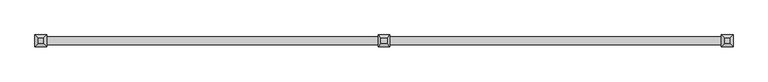
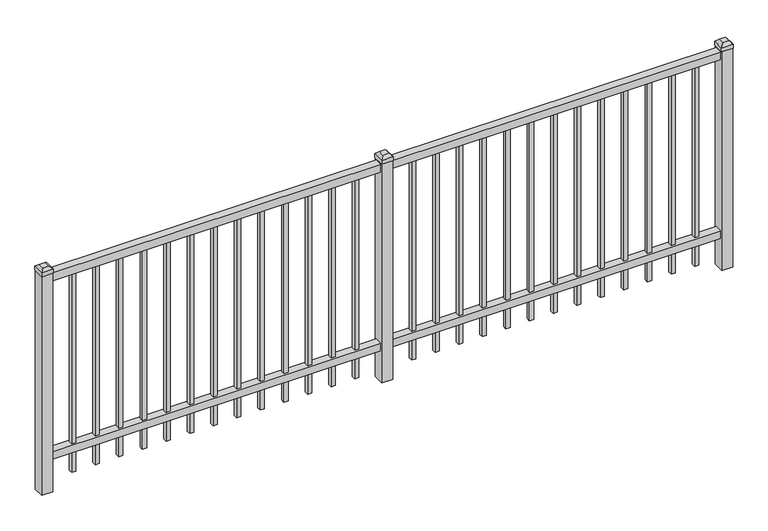
"""IFC4 building model written with IfcOpenShell, lengths in millimetres: railing geometry."""

from ifc_helpers import new_model, si_unit, frame, origin, origin_with_axes, place, context, project, spatial, polyline, outline, extrude, faceted_brep, source, transform, mapped, element, save


def railing_821496fa(model_context):
    return source(origin(), model_context, "Body", "SolidModel", [
        extrude(outline(polyline([(-85729.318087, 5443.2804826), (-85729.318087, 5478.2054826), (-82579.718087, 5478.2054826), (-82579.718087, 5443.2804826), (-85729.318087, 5443.2804826)])), frame((0.0, 0.0, 1028.7), z_axis=(0.0, 0.0, 1.0), x_axis=(1.0, 0.0, 0.0)), (0.0, 0.0, 1.0), 38.1),
        extrude(outline(polyline([(-85729.318087, 5443.2804826), (-85729.318087, 5478.2054826), (-82579.718087, 5478.2054826), (-82579.718087, 5443.2804826), (-85729.318087, 5443.2804826)])), frame((0.0, 0.0, 152.4), z_axis=(0.0, 0.0, 1.0), x_axis=(1.0, 0.0, 0.0)), (0.0, 0.0, 1.0), 38.1),
        extrude(outline(polyline([(-82811.2285036, 5470.2679826), (-82811.2285036, 5451.2179826), (-82830.2785036, 5451.2179826), (-82830.2785036, 5470.2679826), (-82811.2285036, 5470.2679826)])), frame((0.0, 0.0, 50.8), z_axis=(0.0, 0.0, 1.0), x_axis=(1.0, 0.0, 0.0)), (0.0, 0.0, 1.0), 977.9),
        extrude(outline(polyline([(-82920.5014203, 5470.2679826), (-82920.5014203, 5451.2179826), (-82939.5514203, 5451.2179826), (-82939.5514203, 5470.2679826), (-82920.5014203, 5470.2679826)])), frame((0.0, 0.0, 50.8), z_axis=(0.0, 0.0, 1.0), x_axis=(1.0, 0.0, 0.0)), (0.0, 0.0, 1.0), 977.9),
        extrude(outline(polyline([(-83029.774337, 5470.2679826), (-83029.774337, 5451.2179826), (-83048.824337, 5451.2179826), (-83048.824337, 5470.2679826), (-83029.774337, 5470.2679826)])), frame((0.0, 0.0, 50.8), z_axis=(0.0, 0.0, 1.0), x_axis=(1.0, 0.0, 0.0)), (0.0, 0.0, 1.0), 977.9),
        extrude(outline(polyline([(-83139.0472536, 5470.2679826), (-83139.0472536, 5451.2179826), (-83158.0972536, 5451.2179826), (-83158.0972536, 5470.2679826), (-83139.0472536, 5470.2679826)])), frame((0.0, 0.0, 50.8), z_axis=(0.0, 0.0, 1.0), x_axis=(1.0, 0.0, 0.0)), (0.0, 0.0, 1.0), 977.9),
        extrude(outline(polyline([(-83248.3201703, 5470.2679826), (-83248.3201703, 5451.2179826), (-83267.3701703, 5451.2179826), (-83267.3701703, 5470.2679826), (-83248.3201703, 5470.2679826)])), frame((0.0, 0.0, 50.8), z_axis=(0.0, 0.0, 1.0), x_axis=(1.0, 0.0, 0.0)), (0.0, 0.0, 1.0), 977.9),
        extrude(outline(polyline([(-83357.593087, 5470.2679826), (-83357.593087, 5451.2179826), (-83376.643087, 5451.2179826), (-83376.643087, 5470.2679826), (-83357.593087, 5470.2679826)])), frame((0.0, 0.0, 50.8), z_axis=(0.0, 0.0, 1.0), x_axis=(1.0, 0.0, 0.0)), (0.0, 0.0, 1.0), 977.9),
        extrude(outline(polyline([(-83466.8660036, 5470.2679826), (-83466.8660036, 5451.2179826), (-83485.9160036, 5451.2179826), (-83485.9160036, 5470.2679826), (-83466.8660036, 5470.2679826)])), frame((0.0, 0.0, 50.8), z_axis=(0.0, 0.0, 1.0), x_axis=(1.0, 0.0, 0.0)), (0.0, 0.0, 1.0), 977.9),
        extrude(outline(polyline([(-83576.1389203, 5470.2679826), (-83576.1389203, 5451.2179826), (-83595.1889203, 5451.2179826), (-83595.1889203, 5470.2679826), (-83576.1389203, 5470.2679826)])), frame((0.0, 0.0, 50.8), z_axis=(0.0, 0.0, 1.0), x_axis=(1.0, 0.0, 0.0)), (0.0, 0.0, 1.0), 977.9),
        extrude(outline(polyline([(-83685.411837, 5470.2679826), (-83685.411837, 5451.2179826), (-83704.461837, 5451.2179826), (-83704.461837, 5470.2679826), (-83685.411837, 5470.2679826)])), frame((0.0, 0.0, 50.8), z_axis=(0.0, 0.0, 1.0), x_axis=(1.0, 0.0, 0.0)), (0.0, 0.0, 1.0), 977.9),
        extrude(outline(polyline([(-83794.6847536, 5470.2679826), (-83794.6847536, 5451.2179826), (-83813.7347536, 5451.2179826), (-83813.7347536, 5470.2679826), (-83794.6847536, 5470.2679826)])), frame((0.0, 0.0, 50.8), z_axis=(0.0, 0.0, 1.0), x_axis=(1.0, 0.0, 0.0)), (0.0, 0.0, 1.0), 977.9),
        extrude(outline(polyline([(-83903.9576703, 5470.2679826), (-83903.9576703, 5451.2179826), (-83923.0076703, 5451.2179826), (-83923.0076703, 5470.2679826), (-83903.9576703, 5470.2679826)])), frame((0.0, 0.0, 50.8), z_axis=(0.0, 0.0, 1.0), x_axis=(1.0, 0.0, 0.0)), (0.0, 0.0, 1.0), 977.9),
        extrude(outline(polyline([(-82701.955587, 5470.2679826), (-82701.955587, 5451.2179826), (-82721.005587, 5451.2179826), (-82721.005587, 5470.2679826), (-82701.955587, 5470.2679826)])), frame((0.0, 0.0, 50.8), z_axis=(0.0, 0.0, 1.0), x_axis=(1.0, 0.0, 0.0)), (0.0, 0.0, 1.0), 977.9),
        extrude(outline(polyline([(-84013.230587, 5470.2679826), (-84013.230587, 5451.2179826), (-84032.280587, 5451.2179826), (-84032.280587, 5470.2679826), (-84013.230587, 5470.2679826)])), frame((0.0, 0.0, 50.8), z_axis=(0.0, 0.0, 1.0), x_axis=(1.0, 0.0, 0.0)), (0.0, 0.0, 1.0), 977.9),
        faceted_brep([(-84181.505587, 5487.7304826, 1092.2), (-84181.505587, 5487.7304826, 1073.15), (-84181.505587, 5433.7554826, 1073.15), (-84181.505587, 5433.7554826, 1092.2), (-84168.805587, 5475.0304826, 1104.9), (-84168.805587, 5446.4554826, 1104.9), (-84127.530587, 5433.7554826, 1073.15), (-84127.530587, 5433.7554826, 1092.2), (-84140.230587, 5446.4554826, 1104.9), (-84127.530587, 5487.7304826, 1073.15), (-84127.530587, 5487.7304826, 1092.2), (-84140.230587, 5475.0304826, 1104.9)], [[[0, 1, 2, 3]], [[4, 0, 3, 5]], [[3, 2, 6, 7]], [[5, 3, 7, 8]], [[7, 6, 9, 10]], [[8, 7, 10, 11]], [[10, 9, 1, 0]], [[11, 10, 0, 4]], [[5, 8, 11, 4]], [[1, 9, 6, 2]]]),
        extrude(outline(polyline([(-84129.118087, 5486.1429826), (-84129.118087, 5435.3429826), (-84179.918087, 5435.3429826), (-84179.918087, 5486.1429826), (-84129.118087, 5486.1429826)])), origin_with_axes(), (0.0, 0.0, 1.0), 1073.15),
        extrude(outline(polyline([(-84386.0285036, 5470.2679826), (-84386.0285036, 5451.2179826), (-84405.0785036, 5451.2179826), (-84405.0785036, 5470.2679826), (-84386.0285036, 5470.2679826)])), frame((0.0, 0.0, 50.8), z_axis=(0.0, 0.0, 1.0), x_axis=(1.0, 0.0, 0.0)), (0.0, 0.0, 1.0), 977.9),
        extrude(outline(polyline([(-84495.3014203, 5470.2679826), (-84495.3014203, 5451.2179826), (-84514.3514203, 5451.2179826), (-84514.3514203, 5470.2679826), (-84495.3014203, 5470.2679826)])), frame((0.0, 0.0, 50.8), z_axis=(0.0, 0.0, 1.0), x_axis=(1.0, 0.0, 0.0)), (0.0, 0.0, 1.0), 977.9),
        extrude(outline(polyline([(-84604.574337, 5470.2679826), (-84604.574337, 5451.2179826), (-84623.624337, 5451.2179826), (-84623.624337, 5470.2679826), (-84604.574337, 5470.2679826)])), frame((0.0, 0.0, 50.8), z_axis=(0.0, 0.0, 1.0), x_axis=(1.0, 0.0, 0.0)), (0.0, 0.0, 1.0), 977.9),
        extrude(outline(polyline([(-84713.8472536, 5470.2679826), (-84713.8472536, 5451.2179826), (-84732.8972536, 5451.2179826), (-84732.8972536, 5470.2679826), (-84713.8472536, 5470.2679826)])), frame((0.0, 0.0, 50.8), z_axis=(0.0, 0.0, 1.0), x_axis=(1.0, 0.0, 0.0)), (0.0, 0.0, 1.0), 977.9),
        extrude(outline(polyline([(-84823.1201703, 5470.2679826), (-84823.1201703, 5451.2179826), (-84842.1701703, 5451.2179826), (-84842.1701703, 5470.2679826), (-84823.1201703, 5470.2679826)])), frame((0.0, 0.0, 50.8), z_axis=(0.0, 0.0, 1.0), x_axis=(1.0, 0.0, 0.0)), (0.0, 0.0, 1.0), 977.9),
        extrude(outline(polyline([(-84932.393087, 5470.2679826), (-84932.393087, 5451.2179826), (-84951.443087, 5451.2179826), (-84951.443087, 5470.2679826), (-84932.393087, 5470.2679826)])), frame((0.0, 0.0, 50.8), z_axis=(0.0, 0.0, 1.0), x_axis=(1.0, 0.0, 0.0)), (0.0, 0.0, 1.0), 977.9),
        extrude(outline(polyline([(-85041.6660036, 5470.2679826), (-85041.6660036, 5451.2179826), (-85060.7160036, 5451.2179826), (-85060.7160036, 5470.2679826), (-85041.6660036, 5470.2679826)])), frame((0.0, 0.0, 50.8), z_axis=(0.0, 0.0, 1.0), x_axis=(1.0, 0.0, 0.0)), (0.0, 0.0, 1.0), 977.9),
        extrude(outline(polyline([(-85150.9389203, 5470.2679826), (-85150.9389203, 5451.2179826), (-85169.9889203, 5451.2179826), (-85169.9889203, 5470.2679826), (-85150.9389203, 5470.2679826)])), frame((0.0, 0.0, 50.8), z_axis=(0.0, 0.0, 1.0), x_axis=(1.0, 0.0, 0.0)), (0.0, 0.0, 1.0), 977.9),
        extrude(outline(polyline([(-85260.211837, 5470.2679826), (-85260.211837, 5451.2179826), (-85279.261837, 5451.2179826), (-85279.261837, 5470.2679826), (-85260.211837, 5470.2679826)])), frame((0.0, 0.0, 50.8), z_axis=(0.0, 0.0, 1.0), x_axis=(1.0, 0.0, 0.0)), (0.0, 0.0, 1.0), 977.9),
        extrude(outline(polyline([(-85369.4847536, 5470.2679826), (-85369.4847536, 5451.2179826), (-85388.5347536, 5451.2179826), (-85388.5347536, 5470.2679826), (-85369.4847536, 5470.2679826)])), frame((0.0, 0.0, 50.8), z_axis=(0.0, 0.0, 1.0), x_axis=(1.0, 0.0, 0.0)), (0.0, 0.0, 1.0), 977.9),
        extrude(outline(polyline([(-85478.7576703, 5470.2679826), (-85478.7576703, 5451.2179826), (-85497.8076703, 5451.2179826), (-85497.8076703, 5470.2679826), (-85478.7576703, 5470.2679826)])), frame((0.0, 0.0, 50.8), z_axis=(0.0, 0.0, 1.0), x_axis=(1.0, 0.0, 0.0)), (0.0, 0.0, 1.0), 977.9),
        extrude(outline(polyline([(-84276.755587, 5470.2679826), (-84276.755587, 5451.2179826), (-84295.805587, 5451.2179826), (-84295.805587, 5470.2679826), (-84276.755587, 5470.2679826)])), frame((0.0, 0.0, 50.8), z_axis=(0.0, 0.0, 1.0), x_axis=(1.0, 0.0, 0.0)), (0.0, 0.0, 1.0), 977.9),
        extrude(outline(polyline([(-85588.030587, 5470.2679826), (-85588.030587, 5451.2179826), (-85607.080587, 5451.2179826), (-85607.080587, 5470.2679826), (-85588.030587, 5470.2679826)])), frame((0.0, 0.0, 50.8), z_axis=(0.0, 0.0, 1.0), x_axis=(1.0, 0.0, 0.0)), (0.0, 0.0, 1.0), 977.9),
        faceted_brep([(-82606.705587, 5487.7304826, 1092.2), (-82606.705587, 5487.7304826, 1073.15), (-82606.705587, 5433.7554826, 1073.15), (-82606.705587, 5433.7554826, 1092.2), (-82594.005587, 5475.0304826, 1104.9), (-82594.005587, 5446.4554826, 1104.9), (-82552.730587, 5433.7554826, 1073.15), (-82552.730587, 5433.7554826, 1092.2), (-82565.430587, 5446.4554826, 1104.9), (-82552.730587, 5487.7304826, 1073.15), (-82552.730587, 5487.7304826, 1092.2), (-82565.430587, 5475.0304826, 1104.9)], [[[0, 1, 2, 3]], [[4, 0, 3, 5]], [[3, 2, 6, 7]], [[5, 3, 7, 8]], [[7, 6, 9, 10]], [[8, 7, 10, 11]], [[10, 9, 1, 0]], [[11, 10, 0, 4]], [[5, 8, 11, 4]], [[1, 9, 6, 2]]]),
        extrude(outline(polyline([(-82554.318087, 5486.1429826), (-82554.318087, 5435.3429826), (-82605.118087, 5435.3429826), (-82605.118087, 5486.1429826), (-82554.318087, 5486.1429826)])), origin_with_axes(), (0.0, 0.0, 1.0), 1073.15),
        faceted_brep([(-85756.305587, 5487.7304826, 1092.2), (-85756.305587, 5487.7304826, 1073.15), (-85756.305587, 5433.7554826, 1073.15), (-85756.305587, 5433.7554826, 1092.2), (-85743.605587, 5475.0304826, 1104.9), (-85743.605587, 5446.4554826, 1104.9), (-85702.330587, 5433.7554826, 1073.15), (-85702.330587, 5433.7554826, 1092.2), (-85715.030587, 5446.4554826, 1104.9), (-85702.330587, 5487.7304826, 1073.15), (-85702.330587, 5487.7304826, 1092.2), (-85715.030587, 5475.0304826, 1104.9)], [[[0, 1, 2, 3]], [[4, 0, 3, 5]], [[3, 2, 6, 7]], [[5, 3, 7, 8]], [[7, 6, 9, 10]], [[8, 7, 10, 11]], [[10, 9, 1, 0]], [[11, 10, 0, 4]], [[5, 8, 11, 4]], [[1, 9, 6, 2]]]),
        extrude(outline(polyline([(-85703.918087, 5486.1429826), (-85703.918087, 5435.3429826), (-85754.718087, 5435.3429826), (-85754.718087, 5486.1429826), (-85703.918087, 5486.1429826)])), origin_with_axes(), (0.0, 0.0, 1.0), 1073.15),
    ])


if __name__ == "__main__":
    model = new_model("IFC4")
    model_context = context("Model", 3, world=origin())
    ifc_project = project(units=[si_unit("LENGTHUNIT", "METRE", prefix="MILLI")], contexts=[model_context])
    site = spatial("IfcSite", under=ifc_project)
    building = spatial("IfcBuilding", under=site)
    placement = place(None, origin())
    railing_shape = railing_821496fa(model_context)
    element("IfcRailing", 1, at=placement, inside=building, context=model_context, shape_type="MappedRepresentation", body=[
        mapped(railing_shape, transform((0.0, 0.0, 0.0), x_axis=(1.0, 0.0, 0.0), y_axis=(0.0, 1.0, 0.0), z_axis=(0.0, 0.0, 1.0))),
    ])
    save(model, "model.ifc")
